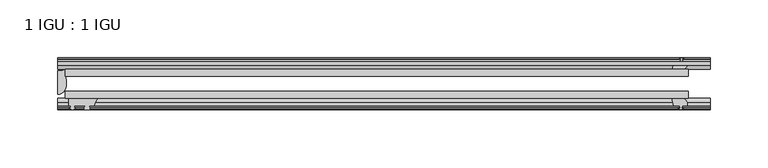
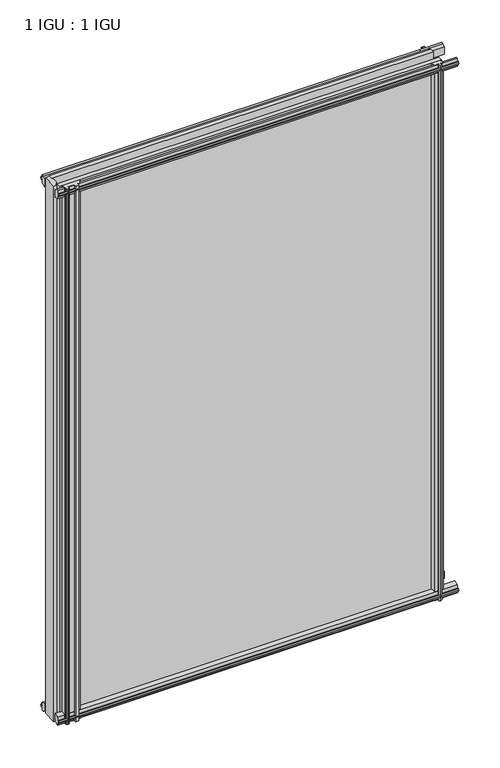
"""IFC4 building model written with IfcOpenShell, lengths in millimetres: plate geometry, 1 IGU : 1 IGU."""

from ifc_helpers import new_model, si_unit, point, frame, frame_2d, origin, place, context, project, spatial, polyline, circle_curve, ellipse_curve, trimmed, segment, composite_curve, outline, extrude, source, transform, mapped, element, save
from ifc_brep_helpers import plane_surface, cylinder_surface, revolved_surface, extruded_surface, advanced_brep


def plate_1_igu_1_igu_94cedfb8(model_context):
    return source(origin(), model_context, "Body", "SolidModel", [
        extrude(outline(polyline([(-276.2250001, -38.6468937), (263.5250001, -38.6468937), (263.5250001, -44.9460938), (-276.2250001, -44.9460938), (-276.2250001, -38.6468937)])), frame((0.0, 0.0, -12.7), z_axis=(0.0, 0.0, 1.0), x_axis=(1.0, 0.0, 0.0)), (0.0, 0.0, 1.0), 800.0999999),
        extrude(outline(polyline([(-276.2250001, -19.5460937), (263.5250001, -19.5460937), (263.5250001, -25.8960938), (-276.2250001, -25.8960938), (-276.2250001, -19.5460937)])), frame((0.0, 0.0, -12.7), z_axis=(0.0, 0.0, 1.0), x_axis=(1.0, 0.0, 0.0)), (0.0, 0.0, 1.0), 800.0999999),
        advanced_brep(
        [(-282.5750001, -21.1706006, -12.7), (-276.2263882, -19.5461438, -12.7), (-276.2263882, -25.8549351, -12.7), (-275.0510369, -32.21431, -12.7), (-282.5750001, -41.5384043, -12.7), (-282.5750001, -21.1706006, 787.3999999), (-282.5750001, -41.5384043, 787.3999999), (-275.0510369, -32.21431, 787.3999999), (-276.2263882, -25.8549351, 787.3999999), (-276.2263882, -19.5461438, 787.3999999)],
        [
            (0, 1, circle_curve(frame((-282.5755695, -7.9505008, -12.7), z_axis=(0.0, 0.0, 1.0), x_axis=(1.0, 0.0, 0.0)), 13.2200998)),
            (1, 2),
            (2, 3, circle_curve(frame((-293.1134013, -32.2643264, -12.7), z_axis=(0.0, 0.0, -1.0), x_axis=(1.0, 0.0, 0.0)), 18.0624336)),
            (3, 4, ellipse_curve(frame((-282.5741672, -32.2460921, -12.7), z_axis=(0.0, 0.0, -1.0), x_axis=(0.0, -1.0, 0.0)), 9.2923123, 7.5231742)),
            (4, 0),
            (5, 6),
            (6, 7, ellipse_curve(frame((-282.5741672, -32.2460921, 787.3999999), z_axis=(0.0, 0.0, 1.0), x_axis=(0.0, -1.0, 0.0)), 9.2923123, 7.5231742)),
            (7, 8, circle_curve(frame((-293.1134013, -32.2643264, 787.3999999), z_axis=(0.0, 0.0, 1.0), x_axis=(1.0, 0.0, 0.0)), 18.0624336)),
            (8, 9),
            (9, 5, circle_curve(frame((-282.5755695, -7.9505008, 787.3999999), z_axis=(0.0, 0.0, -1.0), x_axis=(1.0, 0.0, 0.0)), 13.2200998)),
            (0, 5),
            (9, 1),
            (8, 2),
            (7, 3),
            (6, 4),
        ],
        [
            plane_surface(frame((-282.5750001, -13.1960937, -12.7), z_axis=(0.0, 0.0, -1.0), x_axis=(0.0, 1.0, 0.0))),
            plane_surface(frame((-282.5750001, -13.1960937, 787.3999999), z_axis=(0.0, 0.0, 1.0), x_axis=(0.0, 1.0, 0.0))),
            revolved_surface(polyline([(-269.35546969999996, -7.9505008, 787.3999999), (-269.35546969999996, -7.9505008, -12.7)]), (-282.5755695, -7.9505008, -12.7), (0.0, 0.0, 1.0)),
            plane_surface(frame((-276.2263882, -19.5461438, -12.7), z_axis=(1.0, 0.0, 0.0), x_axis=(0.0, 0.0, 1.0))),
            cylinder_surface(frame((-293.1134013, -32.2643264, -12.7), z_axis=(0.0, 0.0, -1.0), x_axis=(1.0, 0.0, 0.0)), 18.0624336),
            extruded_surface(trimmed(ellipse_curve(frame((-282.5741672, -32.2460921, 787.3999999), z_axis=(0.0, 0.0, -1.0), x_axis=(0.0, -1.0, 0.0)), 9.2923123, 7.5231742), [point((-275.0510369, -32.21431, 787.3999999))], [point((-282.5750001, -41.5384043, 787.3999999))], True, "CARTESIAN"), (0.0, 0.0, -800.0999999000001), 800.0999999000001),
            plane_surface(frame((-282.5750001, -41.5384043, -12.7), z_axis=(-1.0, 0.0, 0.0), x_axis=(0.0, 0.0, 1.0))),
        ],
        [
            (0, [[1, 2, 3, 4, 5]]),
            (1, [[6, 7, 8, 9, 10]]),
            (2, [[-1, 11, -10, 12]]),
            (3, [[-2, -12, -9, 13]]),
            (4, [[-3, -13, -8, 14]]),
            (5, [[-4, -14, -7, 15]]),
            (6, [[-5, -15, -6, -11]]),
        ],
    ),
        extrude(outline(polyline([(-44.9460937, 1.7177181), (-44.9460937, -9.1036578), (-48.3496937, -11.938), (-51.2960937, -11.938), (-51.2960937, -7.493), (-53.6762907, -7.112), (-53.2163575, -8.5275291), (-54.0175717, -8.5275291), (-54.7250937, -6.35), (-54.0175717, -4.1724709), (-53.2163575, -4.1724709), (-53.6762907, -5.588), (-51.2960937, -5.207), (-51.2960937, 0.0), (-44.9460937, 1.7177181)])), frame((-282.5750001, 0.0, 0.0), z_axis=(1.0, 0.0, 0.0), x_axis=(0.0, 1.0, 0.0)), (0.0, 0.0, 1.0), 565.1500002),
        extrude(outline(polyline([(-13.1960937, -12.4587), (-16.1424937, -12.4587), (-19.5460937, -9.6243578), (-19.5460937, 1.1970181), (-13.1960937, -0.5207), (-13.1960937, -5.7277), (-10.8158968, -6.1087), (-11.27583, -4.6931709), (-10.4746158, -4.6931709), (-9.7670937, -6.8707), (-10.4746158, -9.0482291), (-11.27583, -9.0482291), (-10.8158968, -7.6327), (-13.1960937, -8.0137), (-13.1960937, -12.4587)])), frame((-282.5750001, 0.0, 0.0), z_axis=(1.0, 0.0, 0.0), x_axis=(0.0, 1.0, 0.0)), (0.0, 0.0, 1.0), 565.1500002),
        extrude(outline(polyline([(-51.2960937, 786.6379999), (-48.3496937, 786.6379999), (-44.9460937, 783.8036577), (-44.9460937, 772.9822818), (-51.2960937, 774.6999999), (-51.2960937, 779.9069999), (-53.6762907, 780.2879999), (-53.2163575, 778.8724708), (-54.0175717, 778.8724708), (-54.7250937, 781.0499999), (-54.0175717, 783.2275289), (-53.2163575, 783.2275289), (-53.6762907, 781.8119999), (-51.2960937, 782.1929999), (-51.2960937, 786.6379999)])), frame((-282.5750001, 0.0, 0.0), z_axis=(1.0, 0.0, 0.0), x_axis=(0.0, 1.0, 0.0)), (0.0, 0.0, 1.0), 565.1500002),
        extrude(outline(polyline([(-19.5460937, 773.5029818), (-19.5460937, 784.3243577), (-16.1424937, 787.1586999), (-13.1960937, 787.1586999), (-13.1960937, 782.7136999), (-10.8158968, 782.3326999), (-11.27583, 783.7482289), (-10.4746158, 783.7482289), (-9.7670937, 781.5706999), (-10.4746158, 779.3931708), (-11.27583, 779.3931708), (-10.8158968, 780.8086999), (-13.1960937, 780.4276999), (-13.1960937, 775.2206999), (-19.5460937, 773.5029818)])), frame((-282.5750001, 0.0, 0.0), z_axis=(1.0, 0.0, 0.0), x_axis=(0.0, 1.0, 0.0)), (0.0, 0.0, 1.0), 565.1500002),
        extrude(outline(composite_curve([segment(trimmed(circle_curve(frame_2d((-241.8090688, -51.9750196)), 9.0414579), [point((-247.4960857, -44.9460938))], [point((-250.8250002, -51.2960938))], True, "CARTESIAN"), True, "CONTINUOUS"), segment(polyline([(-250.8250002, -51.2960938), (-255.0668002, -51.2960938)]), True, "CONTINUOUS"), segment(trimmed(circle_curve(frame_2d((-255.0668002, -51.7532938)), 0.4572), [point((-255.0668002, -51.2960938))], [point((-255.4056181, -52.0602698))], True, "CARTESIAN"), True, "CONTINUOUS"), segment(trimmed(circle_curve(frame_2d((-257.1750002, -53.663367)), 2.3876), [point((-255.4056181, -52.0602698))], [point((-255.1043572, -54.8520938))], False, "CARTESIAN"), True, "CONTINUOUS"), segment(polyline([(-255.1043572, -54.8520938), (-259.2456432, -54.8520938)]), True, "CONTINUOUS"), segment(trimmed(circle_curve(frame_2d((-257.1750002, -53.663367)), 2.3876), [point((-259.2456432, -54.8520938))], [point((-258.9443824, -52.0602698))], False, "CARTESIAN"), True, "CONTINUOUS"), segment(trimmed(circle_curve(frame_2d((-259.2832002, -51.7532938)), 0.4572), [point((-258.9443824, -52.0602698))], [point((-259.2832002, -51.2960938))], True, "CARTESIAN"), True, "CONTINUOUS"), segment(polyline([(-259.2832002, -51.2960938), (-268.3510002, -51.2960938), (-268.3510002, -52.9470938), (-267.2733695, -52.9470938)]), True, "CONTINUOUS"), segment(trimmed(circle_curve(frame_2d((-268.3510002, -52.9470938)), 1.0776307), [point((-267.2733695, -52.9470938))], [point((-267.5890002, -53.7090938))], False, "CARTESIAN"), True, "CONTINUOUS"), segment(polyline([(-267.5890002, -53.7090938), (-269.3282926, -54.8194621)]), True, "CONTINUOUS"), segment(trimmed(circle_curve(frame_2d((-269.8750002, -53.9630938)), 1.016), [point((-269.3282926, -54.8194621))], [point((-270.4217078, -54.8194621))], False, "CARTESIAN"), True, "CONTINUOUS"), segment(polyline([(-270.4217078, -54.8194621), (-272.1610002, -53.7090938)]), True, "CONTINUOUS"), segment(trimmed(circle_curve(frame_2d((-271.3990002, -52.9470938)), 1.0776307), [point((-272.1610002, -53.7090938))], [point((-272.476631, -52.9470938))], False, "CARTESIAN"), True, "CONTINUOUS"), segment(polyline([(-272.476631, -52.9470938), (-271.3990002, -52.9470938), (-271.3990002, -51.2960938), (-273.0500002, -51.2960938), (-273.0500002, -44.9460938), (-247.4960857, -44.9460938)]), True, "CONTINUOUS")], self_intersect=False)), frame((0.0, 0.0, -12.7), z_axis=(0.0, 0.0, 1.0), x_axis=(1.0, 0.0, 0.0)), (0.0, 0.0, 1.0), 800.1),
        extrude(outline(polyline([(249.627982, -19.5460938), (251.3457001, -13.1960938), (256.5527001, -13.1960938), (256.9337001, -10.8158968), (255.518171, -11.27583), (255.518171, -10.4746158), (257.6957001, -9.7670938), (259.8732291, -10.4746158), (259.8732291, -11.27583), (258.4577001, -10.8158968), (258.8387001, -13.1960938), (263.2837001, -13.1960938), (263.2837001, -16.1424938), (260.4493579, -19.5460938), (249.627982, -19.5460938)])), frame((0.0, 0.0, -12.7), z_axis=(0.0, 0.0, 1.0), x_axis=(1.0, 0.0, 0.0)), (0.0, 0.0, 1.0), 800.1),
        extrude(outline(polyline([(249.107282, -44.9460938), (259.9286579, -44.9460938), (262.7630001, -48.3496938), (262.7630001, -51.2960938), (258.3180001, -51.2960938), (257.9370001, -53.6762907), (259.3525291, -53.2163575), (259.3525291, -54.0175717), (257.1750001, -54.7250938), (254.997471, -54.0175717), (254.997471, -53.2163575), (256.4130001, -53.6762907), (256.0320001, -51.2960938), (250.8250001, -51.2960938), (249.107282, -44.9460938)])), frame((0.0, 0.0, -12.7), z_axis=(0.0, 0.0, 1.0), x_axis=(1.0, 0.0, 0.0)), (0.0, 0.0, 1.0), 800.1),
    ])


if __name__ == "__main__":
    model = new_model("IFC4")
    model_context = context("Model", 3, world=origin())
    ifc_project = project(units=[si_unit("LENGTHUNIT", "METRE", prefix="MILLI")], contexts=[model_context])
    site = spatial("IfcSite", under=ifc_project)
    building = spatial("IfcBuilding", under=site)
    placement = place(None, origin())
    plate_1_igu_1_igu_shape = plate_1_igu_1_igu_94cedfb8(model_context)
    element("IfcPlate", 1, ObjectType="1 IGU : 1 IGU", at=placement, inside=building, context=model_context, shape_type="MappedRepresentation", body=[
        mapped(plate_1_igu_1_igu_shape, transform((0.0, 0.0, 0.0), x_axis=(1.0, 0.0, 0.0), y_axis=(0.0, 1.0, 0.0), z_axis=(0.0, 0.0, 1.0))),
    ])
    save(model, "model.ifc")
